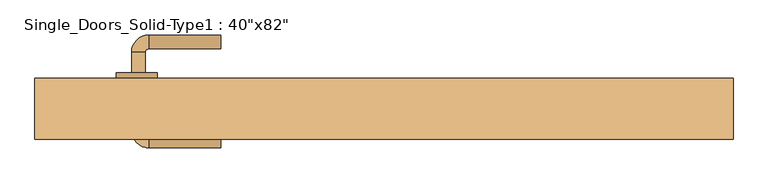
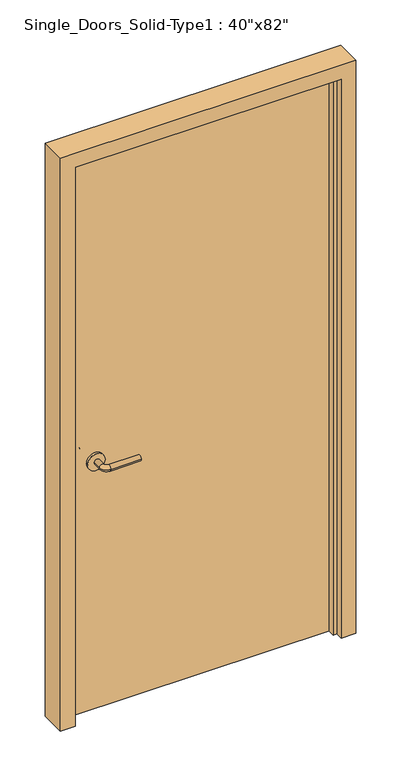
"""IFC4 building model written with IfcOpenShell, lengths in millimetres: door geometry."""

from ifc_helpers import new_model, si_unit, point, frame, frame_2d, origin, origin_with_axes, place, context, project, spatial, polyline, circle_curve, ellipse_curve, trimmed, segment, composite_curve, outline, extrude, faceted_brep, source, transform, mapped, element, save
from ifc_brep_helpers import plane_surface, cylinder_surface, revolved_surface, advanced_brep


def door_7d2bc03b(model_context):
    return source(origin(), model_context, "Body", "SolidModel", [
        advanced_brep(
        [(-367.2, -1.65, 900.0), (-347.2, -1.65, 900.0), (-347.2, -31.65, 900.0), (-367.2, -31.65, 900.0), (-342.2, -36.65, 900.0), (-342.2, -56.65, 900.0), (-237.2, -56.65, 900.0), (-237.2, -36.65, 900.0)],
        [
            (0, 1, circle_curve(frame((-357.2, -1.65, 900.0), z_axis=(0.0, 1.0, 0.0), x_axis=(1.0, 0.0, 0.0)), 10.0)),
            (1, 0, circle_curve(frame((-357.2, -1.65, 900.0), z_axis=(0.0, 1.0, 0.0), x_axis=(1.0, 0.0, 0.0)), 10.0)),
            (1, 2),
            (2, 3, circle_curve(frame((-357.2, -31.65, 900.0), z_axis=(0.0, 1.0, 0.0), x_axis=(1.0, 0.0, 0.0)), 10.0)),
            (3, 0),
            (3, 2, circle_curve(frame((-357.2, -31.65, 900.0), z_axis=(0.0, 1.0, 0.0), x_axis=(1.0, 0.0, 0.0)), 10.0)),
            (4, 5, circle_curve(frame((-342.2, -46.65, 900.0), z_axis=(-1.0, 0.0, 0.0), x_axis=(0.0, 1.0, 0.0)), 10.0)),
            (5, 3, circle_curve(frame((-342.2, -31.65, 900.0), z_axis=(0.0, 0.0, -1.0), x_axis=(-1.0, 0.0, 0.0)), 25.0)),
            (2, 4, circle_curve(frame((-342.2, -31.65, 900.0), z_axis=(0.0, 0.0, 1.0), x_axis=(-1.0, 0.0, 0.0)), 5.0)),
            (5, 4, circle_curve(frame((-342.2, -46.65, 900.0), z_axis=(-1.0, 0.0, 0.0), x_axis=(0.0, 1.0, 0.0)), 10.0)),
            (6, 7, circle_curve(frame((-237.2, -46.65, 900.0), z_axis=(1.0, 0.0, 0.0), x_axis=(0.0, 1.0, 0.0)), 10.0)),
            (7, 6, circle_curve(frame((-237.2, -46.65, 900.0), z_axis=(1.0, 0.0, 0.0), x_axis=(0.0, 1.0, 0.0)), 10.0)),
            (4, 7),
            (6, 5),
        ],
        [
            plane_surface(frame((-357.2, -1.65, 900.0), z_axis=(0.0, 1.0, 0.0), x_axis=(0.0, 0.0, 1.0))),
            cylinder_surface(frame((-357.2, -1.65, 900.0), z_axis=(0.0, 1.0, 0.0), x_axis=(1.0, 0.0, 0.0)), 10.0),
            revolved_surface(trimmed(ellipse_curve(frame((-357.2, -31.65, 900.0), z_axis=(0.0, -1.0, 0.0), x_axis=(1.0, 0.0, 0.0)), 10.0, 10.0), [point((-367.2, -31.65, 900.0))], [point((-347.2, -31.65, 900.0))], True, "CARTESIAN"), (-342.2, -31.65, 900.0), (0.0, 0.0, -1.0)),
            revolved_surface(trimmed(ellipse_curve(frame((-357.2, -31.65, 900.0), z_axis=(0.0, -1.0, 0.0), x_axis=(1.0, 0.0, 0.0)), 10.0, 10.0), [point((-347.2, -31.65, 900.0))], [point((-367.2, -31.65, 900.0))], True, "CARTESIAN"), (-342.2, -31.65, 900.0), (0.0, 0.0, -1.0)),
            plane_surface(frame((-237.2, -46.65, 900.0), z_axis=(1.0, 0.0, 0.0), x_axis=(0.0, 0.0, 1.0))),
            cylinder_surface(frame((-342.2, -46.65, 900.0), z_axis=(-1.0, 0.0, 0.0), x_axis=(0.0, 1.0, 0.0)), 10.0),
        ],
        [
            (0, [[1, 2]]),
            (1, [[3, 4, 5, -2]]),
            (1, [[-5, 6, -3, -1]]),
            (2, [[7, 8, -4, 9]]),
            (3, [[10, -9, -6, -8]]),
            (4, [[11, 12]]),
            (5, [[13, -11, 14, -7]]),
            (5, [[-14, -12, -13, -10]]),
        ],
    ),
        extrude(outline(composite_curve([segment(trimmed(circle_curve(frame_2d((900.0, -359.7)), 30.0), [point((900.0, -389.7))], [point((900.0, -329.7))], False, "CARTESIAN"), True, "CONTINUOUS"), segment(trimmed(circle_curve(frame_2d((900.0, -359.7)), 30.0), [point((900.0, -329.7))], [point((900.0, -389.7))], False, "CARTESIAN"), True, "CONTINUOUS")], self_intersect=False)), frame((0.0, -1.65, 0.0), z_axis=(0.0, 1.0, 0.0), x_axis=(0.0, 0.0, 1.0)), (0.0, 0.0, 1.0), 8.0),
        advanced_brep(
        [(-367.2, 52.45, 900.0), (-347.2, 52.45, 900.0), (-367.2, 82.45, 900.0), (-347.2, 82.45, 900.0), (-342.2, 87.45, 900.0), (-342.2, 107.45, 900.0), (-237.2, 107.45, 900.0), (-237.2, 87.45, 900.0)],
        [
            (0, 1, circle_curve(frame((-357.2, 52.45, 900.0), z_axis=(0.0, -1.0, 0.0), x_axis=(1.0, 0.0, 0.0)), 10.0)),
            (1, 0, circle_curve(frame((-357.2, 52.45, 900.0), z_axis=(0.0, -1.0, 0.0), x_axis=(1.0, 0.0, 0.0)), 10.0)),
            (0, 2),
            (2, 3, circle_curve(frame((-357.2, 82.45, 900.0), z_axis=(0.0, -1.0, 0.0), x_axis=(1.0, 0.0, 0.0)), 10.0)),
            (3, 1),
            (3, 2, circle_curve(frame((-357.2, 82.45, 900.0), z_axis=(0.0, -1.0, 0.0), x_axis=(1.0, 0.0, 0.0)), 10.0)),
            (4, 3, circle_curve(frame((-342.2, 82.45, 900.0), z_axis=(0.0, 0.0, 1.0), x_axis=(-1.0, 0.0, 0.0)), 5.0)),
            (2, 5, circle_curve(frame((-342.2, 82.45, 900.0), z_axis=(0.0, 0.0, -1.0), x_axis=(-1.0, 0.0, 0.0)), 25.0)),
            (5, 4, circle_curve(frame((-342.2, 97.45, 900.0), z_axis=(-1.0, 0.0, 0.0), x_axis=(0.0, -1.0, 0.0)), 10.0)),
            (4, 5, circle_curve(frame((-342.2, 97.45, 900.0), z_axis=(-1.0, 0.0, 0.0), x_axis=(0.0, -1.0, 0.0)), 10.0)),
            (6, 7, circle_curve(frame((-237.2, 97.45, 900.0), z_axis=(1.0, 0.0, 0.0), x_axis=(0.0, -1.0, 0.0)), 10.0)),
            (7, 6, circle_curve(frame((-237.2, 97.45, 900.0), z_axis=(1.0, 0.0, 0.0), x_axis=(0.0, -1.0, 0.0)), 10.0)),
            (5, 6),
            (7, 4),
        ],
        [
            plane_surface(frame((-357.2, 52.45, 900.0), z_axis=(0.0, -1.0, 0.0), x_axis=(0.0, 0.0, 1.0))),
            cylinder_surface(frame((-357.2, 52.45, 900.0), z_axis=(0.0, -1.0, 0.0), x_axis=(1.0, 0.0, 0.0)), 10.0),
            revolved_surface(trimmed(ellipse_curve(frame((-357.2, 82.45, 900.0), z_axis=(0.0, -1.0, 0.0), x_axis=(1.0, 0.0, 0.0)), 10.0, 10.0), [point((-367.2, 82.45, 900.0))], [point((-347.2, 82.45, 900.0))], True, "CARTESIAN"), (-342.2, 82.45, 900.0), (0.0, 0.0, -1.0)),
            revolved_surface(trimmed(ellipse_curve(frame((-357.2, 82.45, 900.0), z_axis=(0.0, -1.0, 0.0), x_axis=(1.0, 0.0, 0.0)), 10.0, 10.0), [point((-347.2, 82.45, 900.0))], [point((-367.2, 82.45, 900.0))], True, "CARTESIAN"), (-342.2, 82.45, 900.0), (0.0, 0.0, -1.0)),
            plane_surface(frame((-237.2, 97.45, 900.0), z_axis=(1.0, 0.0, 0.0), x_axis=(0.0, 0.0, 1.0))),
            cylinder_surface(frame((-342.2, 97.45, 900.0), z_axis=(-1.0, 0.0, 0.0), x_axis=(0.0, -1.0, 0.0)), 10.0),
        ],
        [
            (0, [[1, 2]]),
            (1, [[-1, 3, 4, 5]]),
            (1, [[-2, -5, 6, -3]]),
            (2, [[7, -4, 8, 9]]),
            (3, [[-8, -6, -7, 10]]),
            (4, [[11, 12]]),
            (5, [[-9, 13, -12, 14]]),
            (5, [[-10, -14, -11, -13]]),
        ],
    ),
        extrude(outline(composite_curve([segment(trimmed(circle_curve(frame_2d((900.0, -359.7)), 30.0), [point((900.0, -389.7))], [point((900.0, -329.7))], False, "CARTESIAN"), True, "CONTINUOUS"), segment(trimmed(circle_curve(frame_2d((900.0, -359.7)), 30.0), [point((900.0, -329.7))], [point((900.0, -389.7))], False, "CARTESIAN"), True, "CONTINUOUS")], self_intersect=False)), frame((0.0, 44.45, 0.0), z_axis=(0.0, 1.0, 0.0), x_axis=(0.0, 0.0, 1.0)), (0.0, 0.0, 1.0), 8.0),
        faceted_brep([(-508.0, -44.45, 0.0), (-508.0, 44.45, 0.0), (-457.2, 44.45, 0.0), (-457.2, 6.35, 0.0), (-444.5, 6.35, 0.0), (-444.5, -19.05, 0.0), (-457.2, -19.05, 0.0), (-457.2, -44.45, 0.0), (-508.0, -44.45, 2082.8), (-508.0, 44.45, 2082.8), (508.0, 44.45, 2082.8), (508.0, 44.45, 0.0), (457.2, 44.45, 0.0), (457.2, 44.45, 2032.0), (-457.2, 44.45, 2032.0), (-457.2, 6.35, 2032.0), (457.2, 6.35, 2032.0), (457.2, 6.35, 0.0), (444.5, 6.35, 0.0), (444.5, 6.35, 2019.3), (-444.5, 6.35, 2019.3), (-444.5, -19.05, 2019.3), (444.5, -19.05, 2019.3), (444.5, -19.05, 0.0), (457.2, -19.05, 0.0), (457.2, -19.05, 2032.0), (-457.2, -19.05, 2032.0), (-457.2, -44.45, 2032.0), (457.2, -44.45, 2032.0), (457.2, -44.45, 0.0), (508.0, -44.45, 0.0), (508.0, -44.45, 2082.8)], [[[0, 1, 2, 3, 4, 5, 6, 7]], [[1, 0, 8, 9]], [[2, 1, 9, 10, 11, 12, 13, 14]], [[3, 2, 14, 15]], [[4, 3, 15, 16, 17, 18, 19, 20]], [[5, 4, 20, 21]], [[6, 5, 21, 22, 23, 24, 25, 26]], [[7, 6, 26, 27]], [[0, 7, 27, 28, 29, 30, 31, 8]], [[10, 31, 30, 11]], [[30, 29, 24, 23, 18, 17, 12, 11]], [[16, 13, 12, 17]], [[22, 19, 18, 23]], [[28, 25, 24, 29]], [[9, 8, 31, 10]], [[15, 14, 13, 16]], [[21, 20, 19, 22]], [[27, 26, 25, 28]]]),
        extrude(outline(polyline([(457.2, 6.35), (-457.2, 6.35), (-457.2, 44.45), (457.2, 44.45), (457.2, 6.35)])), origin_with_axes(), (0.0, 0.0, 1.0), 2032.0),
    ])


if __name__ == "__main__":
    model = new_model("IFC4")
    model_context = context("Model", 3, world=origin())
    ifc_project = project(units=[si_unit("LENGTHUNIT", "METRE", prefix="MILLI")], contexts=[model_context])
    site = spatial("IfcSite", under=ifc_project)
    building = spatial("IfcBuilding", under=site)
    placement = place(None, origin())
    door_shape = door_7d2bc03b(model_context)
    element("IfcDoor", 1, ObjectType="Single_Doors_Solid-Type1 : 40\"x82\"", at=placement, inside=building, context=model_context, shape_type="MappedRepresentation", body=[
        mapped(door_shape, transform((0.0, 0.0, 0.0), x_axis=(1.0, 0.0, 0.0), y_axis=(0.0, 1.0, 0.0), z_axis=(0.0, 0.0, 1.0))),
    ])
    save(model, "model.ifc")
